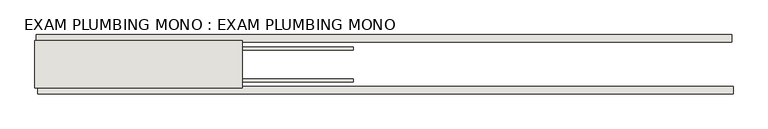
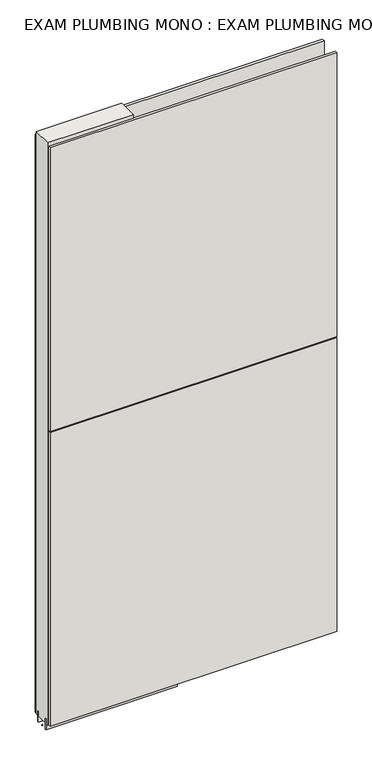
"""IFC4 building model written with IfcOpenShell, lengths in millimetres: wall geometry, EXAM PLUMBING MONO : EXAM PLUMBING MONO."""

from ifc_helpers import new_model, si_unit, frame, origin, place, context, project, spatial, polyline, outline, extrude, source, transform, mapped, element, save


def exam_plumbing_mono_exam_plumbing_mono_2560cc90(model_context):
    return source(origin(), model_context, "Body", "SweptSolid", [
        extrude(outline(polyline([(82814.255504, -47157.7745692), (82811.715504, -47157.7745692), (82811.715504, -47155.2345692), (82814.255504, -47155.2345692), (82814.255504, -47157.7745692)])), frame((0.0, 0.0, 4419.6), z_axis=(0.0, 0.0, 1.0), x_axis=(1.0, 0.0, 0.0)), (0.0, 0.0, 1.0), 2.54),
        extrude(outline(polyline([(82813.7120964, -47105.7045692), (84006.7906348, -47105.7045692), (84006.7906348, -47118.4045692), (82813.7120964, -47118.4045692), (82813.7120964, -47105.7045692)])), frame((0.0, 0.0, 4445.0), z_axis=(0.0, 0.0, 1.0), x_axis=(1.0, 0.0, 0.0)), (0.0, 0.0, 1.0), 2545.0498756),
        extrude(outline(polyline([(84009.258702, -47207.3045692), (82816.1801636, -47207.3045692), (82816.1801636, -47194.6045692), (84009.258702, -47194.6045692), (84009.258702, -47207.3045692)])), frame((0.0, 0.0, 4445.0), z_axis=(0.0, 0.0, 1.0), x_axis=(1.0, 0.0, 0.0)), (0.0, 0.0, 1.0), 1293.400004),
        extrude(outline(polyline([(84009.258702, -47207.3045692), (82816.1801636, -47207.3045692), (82816.1801636, -47194.6045692), (84009.258702, -47194.6045692), (84009.258702, -47207.3045692)])), frame((0.0, 0.0, 5742.4000722), z_axis=(0.0, 0.0, 1.0), x_axis=(1.0, 0.0, 0.0)), (0.0, 0.0, 1.0), 1247.649905),
        extrude(outline(polyline([(83357.820457, -47131.4270222), (82811.720457, -47131.4270222), (82811.720457, -47126.3482668), (83357.820457, -47126.3482668), (83357.820457, -47131.4270222)])), frame((0.0, 0.0, 4418.6602), z_axis=(0.0, 0.0, 1.0), x_axis=(1.0, 0.0, 0.0)), (0.0, 0.0, 1.0), 47.625),
        extrude(outline(polyline([(83357.820457, -47131.4270222), (82811.720457, -47131.4270222), (82811.720457, -47126.3482668), (83357.820457, -47126.3482668), (83357.820457, -47131.4270222)])), frame((0.0, 0.0, 4418.6602), z_axis=(0.0, 0.0, 1.0), x_axis=(1.0, 0.0, 0.0)), (0.0, 0.0, 1.0), 47.625),
        extrude(outline(polyline([(82811.720457, -47181.5914126), (83357.820457, -47181.5914126), (83357.820457, -47186.6732668), (82811.720457, -47186.6732668), (82811.720457, -47181.5914126)])), frame((0.0, 0.0, 4418.6602), z_axis=(0.0, 0.0, 1.0), x_axis=(1.0, 0.0, 0.0)), (0.0, 0.0, 1.0), 47.625),
        extrude(outline(polyline([(82811.720457, -47181.5914126), (83357.820457, -47181.5914126), (83357.820457, -47186.6732668), (82811.720457, -47186.6732668), (82811.720457, -47181.5914126)])), frame((0.0, 0.0, 4418.6602), z_axis=(0.0, 0.0, 1.0), x_axis=(1.0, 0.0, 0.0)), (0.0, 0.0, 1.0), 47.625),
        extrude(outline(polyline([(83167.320457, -47115.8558824), (83167.320457, -47197.1377366), (82811.720457, -47197.1377366), (82811.720457, -47115.8558824), (83167.320457, -47115.8558824)])), frame((0.0, 0.0, 4445.0), z_axis=(0.0, 0.0, 1.0), x_axis=(1.0, 0.0, 0.0)), (0.0, 0.0, 1.0), 2562.4536762),
    ])


if __name__ == "__main__":
    model = new_model("IFC4")
    model_context = context("Model", 3, world=origin())
    ifc_project = project(units=[si_unit("LENGTHUNIT", "METRE", prefix="MILLI")], contexts=[model_context])
    site = spatial("IfcSite", under=ifc_project)
    building = spatial("IfcBuilding", under=site)
    placement = place(None, origin())
    exam_plumbing_mono_exam_plumbing_mono_shape = exam_plumbing_mono_exam_plumbing_mono_2560cc90(model_context)
    element("IfcWall", 1, ObjectType="EXAM PLUMBING MONO : EXAM PLUMBING MONO", at=placement, inside=building, context=model_context, shape_type="MappedRepresentation", body=[
        mapped(exam_plumbing_mono_exam_plumbing_mono_shape, transform((0.0, 0.0, 0.0), x_axis=(1.0, 0.0, 0.0), y_axis=(0.0, 1.0, 0.0), z_axis=(0.0, 0.0, 1.0))),
    ])
    save(model, "model.ifc")
